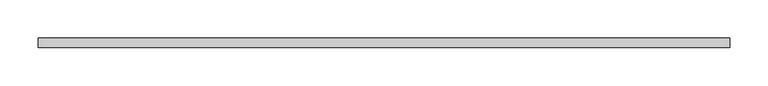
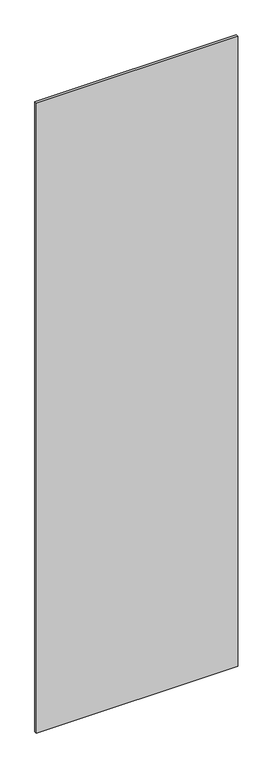
"""IFC4 building model written with IfcOpenShell, lengths in millimetres: plate geometry."""

from ifc_helpers import new_model, si_unit, frame, origin, place, context, project, spatial, polyline, outline, extrude, source, transform, mapped, element, save


def plate_91bf3f5a(model_context):
    return source(origin(), model_context, "Body", "SweptSolid", [
        extrude(outline(polyline([(451.0, -6.0), (-451.0, -6.0), (-451.0, 6.0), (451.0, 6.0), (451.0, -6.0)])), frame((0.0, 0.0, 13.0), z_axis=(0.0, 0.0, 1.0), x_axis=(1.0, 0.0, 0.0)), (0.0, 0.0, 1.0), 2982.0),
    ])


if __name__ == "__main__":
    model = new_model("IFC4")
    model_context = context("Model", 3, world=origin())
    ifc_project = project(units=[si_unit("LENGTHUNIT", "METRE", prefix="MILLI")], contexts=[model_context])
    site = spatial("IfcSite", under=ifc_project)
    building = spatial("IfcBuilding", under=site)
    placement = place(None, origin())
    plate_shape = plate_91bf3f5a(model_context)
    element("IfcPlate", 1, at=placement, inside=building, context=model_context, shape_type="MappedRepresentation", body=[
        mapped(plate_shape, transform((0.0, 0.0, 0.0), x_axis=(1.0, 0.0, 0.0), y_axis=(0.0, 1.0, 0.0), z_axis=(0.0, 0.0, 1.0))),
    ])
    save(model, "model.ifc")
